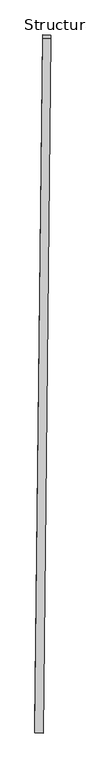
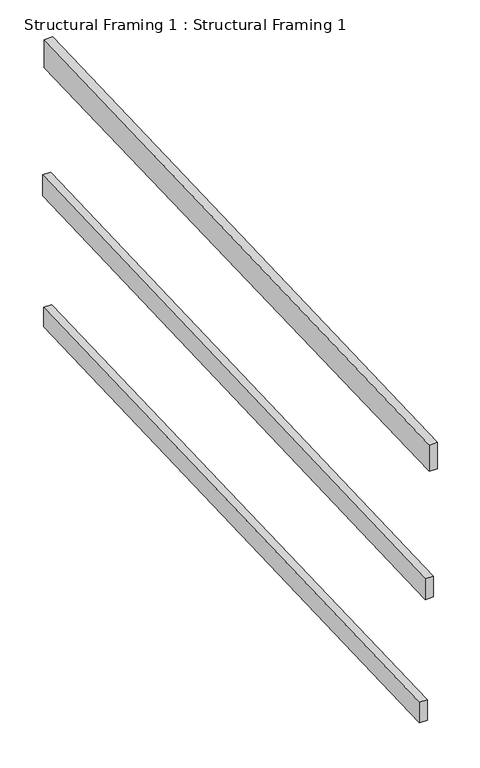
"""IFC4 building model written with IfcOpenShell, lengths in millimetres: beam geometry, Structural Framing 1 : Structural Framing 1."""

from ifc_helpers import new_model, si_unit, frame, origin, place, context, project, spatial, polyline, outline, extrude, source, transform, mapped, element, save


def structural_framing_1_structural_framing_1_bc6792e7(model_context):
    return source(origin(), model_context, "Body", "SweptSolid", [
        extrude(outline(polyline([(2714.3834639, 0.0), (2715.9877208, -87.3346828), (55.9749762, -80.8879264), (54.4891402, 0.0), (2714.3834639, 0.0)])), frame((-40739.1150774, 44642.5361315, 108464.1098472), z_axis=(-0.9999380339406203, 0.011132307890417243, 0.0), x_axis=(-0.011130430218586285, -0.9997693756985453, -0.018365972299068962)), (0.0, 0.0, 1.0), 32.2029737),
        extrude(outline(polyline([(2714.5311093, 1e-07), (2716.3767672, -87.3523483), (6.3455545, -88.2606478), (4.4807053, 0.0), (2714.5311093, 1e-07)])), frame((-40739.5763617, 44601.1021596, 109019.2067365), z_axis=(-0.9999380339406202, 0.011132307890417243, 0.0), x_axis=(-0.011129823824851682, -0.999714907553688, -0.02112417185474985)), (0.0, 0.0, 1.0), 32.2029737),
        extrude(outline(polyline([(2729.0662942, 0.0), (2731.2974457, -111.4331555), (6.848479, -118.2566449), (4.4807053, 0.0), (2729.0662942, 0.0)])), frame((-40739.730055, 44587.2969612, 109600.5730714), z_axis=(-0.9999380339406204, 0.011132307890417244, 0.0), x_axis=(-0.01113007712479014, -0.9997376597309501, -0.020018319082266832)), (0.0, 0.0, 1.0), 32.2029737),
    ])


if __name__ == "__main__":
    model = new_model("IFC4")
    model_context = context("Model", 3, world=origin())
    ifc_project = project(units=[si_unit("LENGTHUNIT", "METRE", prefix="MILLI")], contexts=[model_context])
    site = spatial("IfcSite", under=ifc_project)
    building = spatial("IfcBuilding", under=site)
    placement = place(None, origin())
    structural_framing_1_structural_framing_1_shape = structural_framing_1_structural_framing_1_bc6792e7(model_context)
    element("IfcBeam", 1, ObjectType="Structural Framing 1 : Structural Framing 1", at=placement, inside=building, context=model_context, shape_type="MappedRepresentation", body=[
        mapped(structural_framing_1_structural_framing_1_shape, transform((0.0, 0.0, 0.0), x_axis=(1.0, 0.0, 0.0), y_axis=(0.0, 1.0, 0.0), z_axis=(0.0, 0.0, 1.0))),
    ])
    save(model, "model.ifc")
